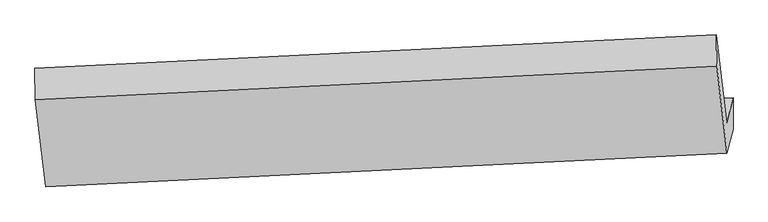
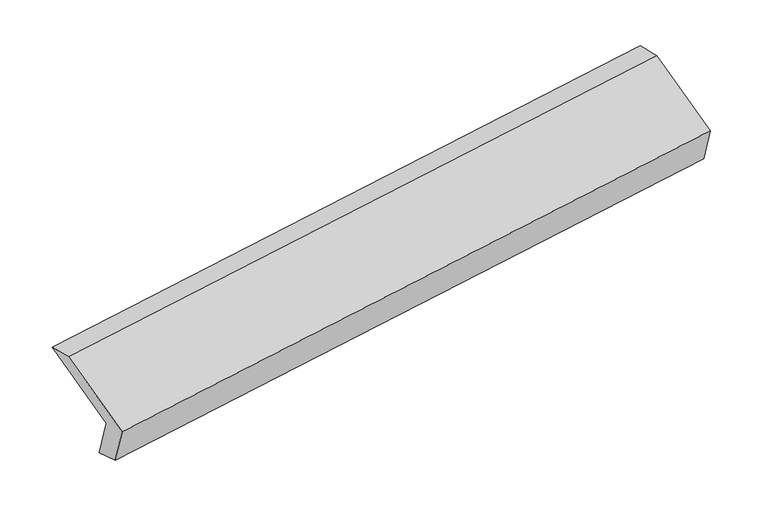
"""IFC4 building model written with IfcOpenShell, lengths in millimetres: proxy geometry."""

import ifcopenshell
import ifcopenshell.guid

model = None  # the IFC model being written
_history = None  # IfcOwnerHistory: only IFC2X3 demands one
_inside = {}  # id of a spatial element -> (the spatial element, [elements in it])
_under = {}  # id of a project, library or spatial element -> (it, [spatial elements below it])
_declared = {}  # id of a project -> (the project, [libraries it declares])
_typed = {}  # id of a type object -> (the type object, [elements of that type])
_made_of = {}  # id of a material, layer set ... -> (it, [elements and type objects made of it])


def new_model(schema):
    """Start an empty IFC model of exactly this schema.

    Asked for "IFC4X3", IfcOpenShell would pick the latest addendum, in which some entities
    have other attributes; the version numbers below select the first issue.
    IFC2X3 requires an IfcOwnerHistory on every rooted entity: one is made here for all.
    """
    global model, _history
    if schema == "IFC4X3":
        model = ifcopenshell.file(schema_version=(4, 3, 0, 0))
    else:
        model = ifcopenshell.file(schema=schema)
    _inside.clear()
    _under.clear()
    _declared.clear()
    _typed.clear()
    _made_of.clear()
    _history = None
    if model.schema == "IFC2X3":
        org = make("IfcOrganization", Name="unknown")
        user = make(
            "IfcPersonAndOrganization",
            ThePerson=make("IfcPerson", FamilyName="unknown"),
            TheOrganization=org,
        )
        app = make(
            "IfcApplication",
            ApplicationDeveloper=org,
            Version="unknown",
            ApplicationFullName="unknown",
            ApplicationIdentifier="unknown",
        )
        _history = make(
            "IfcOwnerHistory",
            OwningUser=user,
            OwningApplication=app,
            ChangeAction="ADDED",
            CreationDate=0,
        )
    return model


def make(cls, **values):
    """One entity of the class cls with the attributes given. An attribute that is None is left unset."""
    return model.create_entity(
        cls, **{name: value for name, value in values.items() if value is not None}
    )


def rooted(cls, **values):
    """An entity with a GlobalId (a new one), such as an element, a storey or a relation."""
    return make(cls, GlobalId=ifcopenshell.guid.new(), OwnerHistory=_history, **values)


def si_unit(unit_type, name, prefix=None):
    """IfcSIUnit, for example si_unit("LENGTHUNIT", "METRE", prefix="MILLI")."""
    return make("IfcSIUnit", UnitType=unit_type, Prefix=prefix, Name=name)


def assignment(units):
    """IfcUnitAssignment: the units of a project."""
    return None if units is None else make("IfcUnitAssignment", Units=units)


def point(xyz):
    """IfcCartesianPoint."""
    return None if xyz is None else make("IfcCartesianPoint", Coordinates=xyz)


def direction(xyz):
    """IfcDirection."""
    return None if xyz is None else make("IfcDirection", DirectionRatios=xyz)


def frame(location, z_axis=None, x_axis=None):
    """IfcAxis2Placement3D, a coordinate frame: its origin and axes. An axis left out is left unset."""
    return make(
        "IfcAxis2Placement3D",
        Location=point(location),
        Axis=direction(z_axis),
        RefDirection=direction(x_axis),
    )


def origin():
    """The frame at (0, 0, 0) with its axes left unset."""
    return frame((0.0, 0.0, 0.0))


def place(relative_to, where):
    """IfcLocalPlacement: puts the frame where relative to a parent placement (None: the world)."""
    return make(
        "IfcLocalPlacement", PlacementRelTo=relative_to, RelativePlacement=where
    )


def context(
    kind, dimensions, precision=None, world=None, true_north=None, identifier=None
):
    """IfcGeometricRepresentationContext, for example the 3D "Model" context."""
    return make(
        "IfcGeometricRepresentationContext",
        ContextIdentifier=identifier,
        ContextType=kind,
        CoordinateSpaceDimension=dimensions,
        Precision=precision,
        WorldCoordinateSystem=world,
        TrueNorth=true_north,
    )


def project(units=None, contexts=None):
    """IfcProject with its units and contexts."""
    return rooted(
        "IfcProject",
        Name="project",
        RepresentationContexts=contexts,
        UnitsInContext=assignment(units),
    )


def spatial(cls, under=None, at=None, **own):
    """A site, building, storey or space (cls), placed at a placement, below another one or the project."""
    s = rooted(cls, ObjectPlacement=at, **own)
    if under is not None:
        _under.setdefault(under.id(), (under, []))[1].append(s)
    return s


def polyline(points):
    """IfcPolyline through the points."""
    return make("IfcPolyline", Points=[point(p) for p in points])


def outline(outer, holes=None, kind="AREA"):
    """IfcArbitraryClosedProfileDef: a profile drawn as a closed curve; with holes, ...WithVoids."""
    if holes is None:
        return make("IfcArbitraryClosedProfileDef", ProfileType=kind, OuterCurve=outer)
    return make(
        "IfcArbitraryProfileDefWithVoids",
        ProfileType=kind,
        OuterCurve=outer,
        InnerCurves=holes,
    )


def extrude(swept, where, along, depth):
    """IfcExtrudedAreaSolid: the profile swept, set in the frame where, extruded along a direction by depth."""
    return make(
        "IfcExtrudedAreaSolid",
        SweptArea=swept,
        Position=where,
        ExtrudedDirection=direction(along),
        Depth=depth,
    )


def shape(context_of_items, identifier, shape_type, items):
    """IfcShapeRepresentation: the items that make up one representation, for example the "Body"."""
    return make(
        "IfcShapeRepresentation",
        ContextOfItems=context_of_items,
        RepresentationIdentifier=identifier,
        RepresentationType=shape_type,
        Items=items,
    )


def source(mapping_origin, context_of_items, identifier, shape_type, items):
    """IfcRepresentationMap: a shape defined once, which mapped items show again and again."""
    return make(
        "IfcRepresentationMap",
        MappingOrigin=mapping_origin,
        MappedRepresentation=shape(context_of_items, identifier, shape_type, items),
    )


def transform(
    local_origin,
    x_axis=None,
    y_axis=None,
    z_axis=None,
    scale=None,
    scale2=None,
    scale3=None,
    uniform=True,
):
    """IfcCartesianTransformationOperator3D, or its non-uniform kind. x_axis, y_axis, z_axis: its Axis1, 2, 3."""
    if uniform:
        return make(
            "IfcCartesianTransformationOperator3D",
            Axis1=direction(x_axis),
            Axis2=direction(y_axis),
            LocalOrigin=point(local_origin),
            Scale=scale,
            Axis3=direction(z_axis),
        )
    return make(
        "IfcCartesianTransformationOperator3DnonUniform",
        Axis1=direction(x_axis),
        Axis2=direction(y_axis),
        LocalOrigin=point(local_origin),
        Scale=scale,
        Axis3=direction(z_axis),
        Scale2=scale2,
        Scale3=scale3,
    )


def mapped(mapping_source, mapping_target):
    """IfcMappedItem: shows the shape of a source again, moved by a transform."""
    return make(
        "IfcMappedItem", MappingSource=mapping_source, MappingTarget=mapping_target
    )


def made_of(thing, what):
    """Note that an element or type object is made of a material, layer set ...; save() writes the relation."""
    if what is not None:
        _made_of.setdefault(what.id(), (what, []))[1].append(thing)
    return thing


def element(
    cls,
    number,
    at=None,
    inside=None,
    cuts=None,
    type_object=None,
    material=None,
    context=None,
    identifier="Body",
    shape_type=None,
    held_by="IfcProductDefinitionShape",
    body=None,
    shapes=None,
    **own,
):
    """One element of the class cls, such as IfcWall. Its Tag is "e" and its number.

    at: its placement. inside: the storey or other place that contains it. cuts: it is an
    opening in that element (IfcRelVoidsElement). A single representation is given by context,
    identifier, shape_type and body (its items); several are given by shapes. held_by: the class
    of the entity that holds the representations. save() writes the other relations.
    """
    e = rooted(cls, Tag="e%d" % number, ObjectPlacement=at, **own)
    if body is not None:
        shapes = [shape(context, identifier, shape_type, body)]
    if shapes is not None:
        e.Representation = make(held_by, Representations=shapes)
    if inside is not None:
        _inside.setdefault(inside.id(), (inside, []))[1].append(e)
    if cuts is not None:
        rooted(
            "IfcRelVoidsElement", RelatingBuildingElement=cuts, RelatedOpeningElement=e
        )
    if type_object is not None:
        _typed.setdefault(type_object.id(), (type_object, []))[1].append(e)
    return made_of(e, material)


def aggregate(whole, parts):
    """IfcRelAggregates: a whole, such as a stair, and the parts it consists of."""
    return rooted("IfcRelAggregates", RelatingObject=whole, RelatedObjects=parts)


def save(model, path):
    """Write the relations noted so far, then the file.

    IfcRelAggregates (storeys below a building ...), IfcRelContainedInSpatialStructure (elements
    in a storey), IfcRelDefinesByType, IfcRelAssociatesMaterial and IfcRelDeclares: one each for
    every whole, place, type object, material and project.
    """
    for whole, parts in _under.values():
        aggregate(whole, parts)
    for where, things in _inside.values():
        rooted(
            "IfcRelContainedInSpatialStructure",
            RelatedElements=things,
            RelatingStructure=where,
        )
    for kind, things in _typed.values():
        rooted("IfcRelDefinesByType", RelatedObjects=things, RelatingType=kind)
    for what, things in _made_of.values():
        rooted("IfcRelAssociatesMaterial", RelatedObjects=things, RelatingMaterial=what)
    for by, libraries in _declared.values():
        rooted("IfcRelDeclares", RelatingContext=by, RelatedDefinitions=libraries)
    model.write(path)


def generic_models_15b2ac03(model_context):
    return source(origin(), model_context, "Body", "SweptSolid", [
        extrude(outline(polyline([(-63.2084799, -138.8050711), (340.0345703, -138.8050711), (184.7532734, -303.0002984), (-199.1854419, -303.0002984), (-199.185442, 354.7077559), (-63.2084799, 528.9029832), (-63.2084799, -138.8050711)])), frame((-5194.1272842, -1620.4012817, 1586.3027525), z_axis=(0.9883269347164849, 0.048579977519327626, 0.14439479179713716), x_axis=(0.11017311016104085, 0.42670801783589435, -0.8976536934208009)), (0.0, 0.0, 1.0), 4721.3284162),
    ])


if __name__ == "__main__":
    model = new_model("IFC4")
    model_context = context("Model", 3, world=origin())
    ifc_project = project(units=[si_unit("LENGTHUNIT", "METRE", prefix="MILLI")], contexts=[model_context])
    site = spatial("IfcSite", under=ifc_project)
    building = spatial("IfcBuilding", under=site)
    placement = place(None, origin())
    generic_models_shape = generic_models_15b2ac03(model_context)
    element("IfcBuildingElementProxy", 1, Name="Generic Models", at=placement, inside=building, context=model_context, shape_type="MappedRepresentation", body=[
        mapped(generic_models_shape, transform((0.0, 0.0, 0.0), x_axis=(1.0, 0.0, 0.0), y_axis=(0.0, 1.0, 0.0), z_axis=(0.0, 0.0, 1.0))),
    ])
    save(model, "model.ifc")
